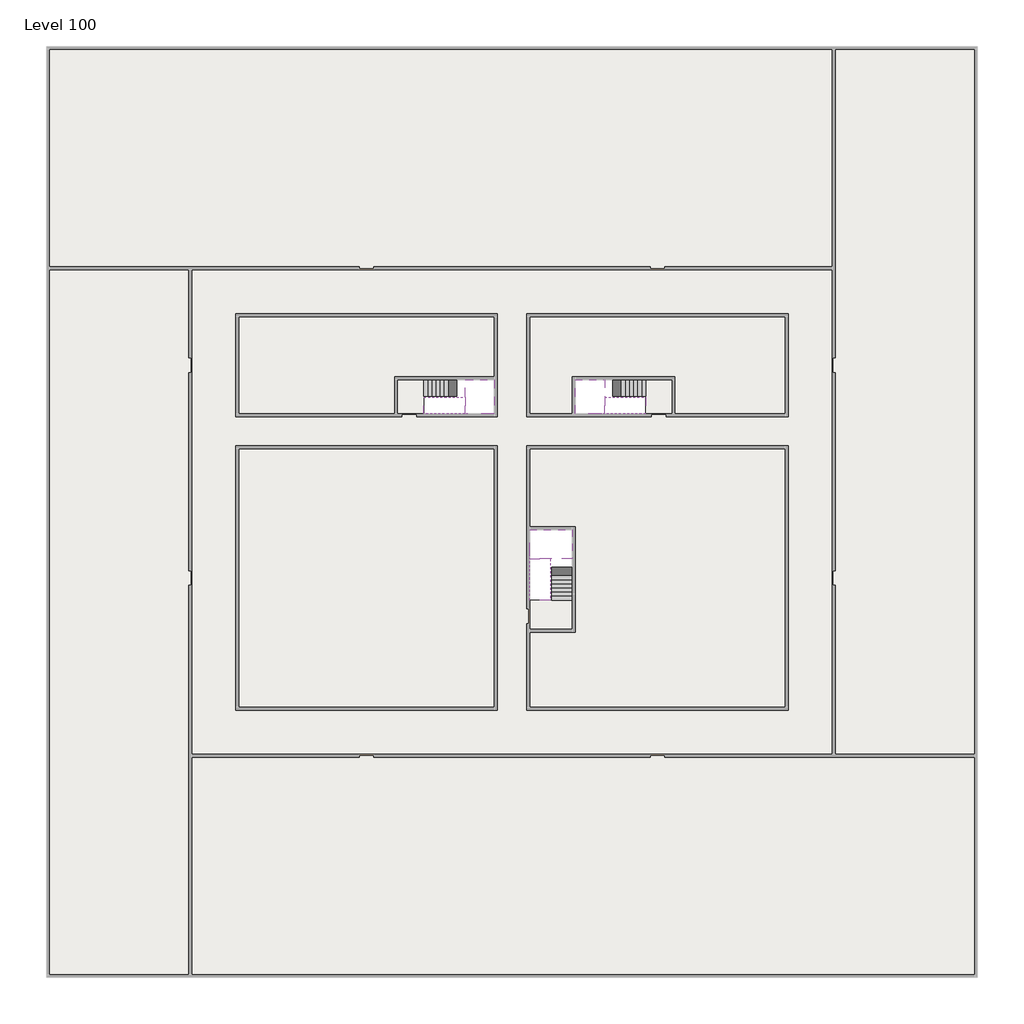
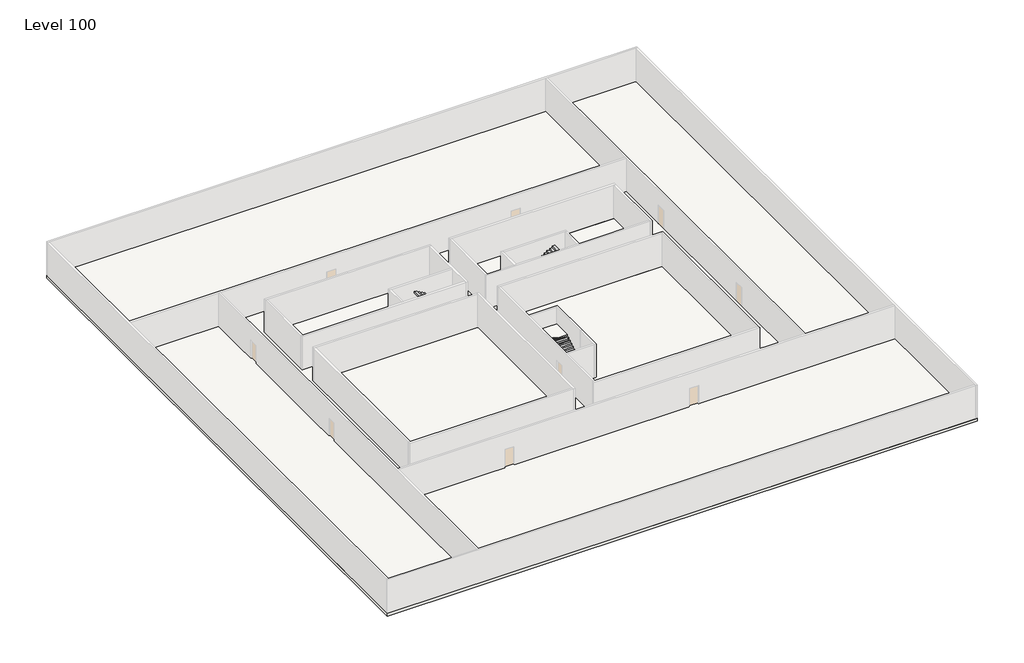
# One storey, part 2 of 2: 6 slabs, 6 stair flights.
"""IFC4 building model written with IfcOpenShell, lengths in millimetres."""

from ifc_helpers import new_model, si_unit, frame, origin, place, context, project, spatial, polyline, outline, extrude, faceted_brep, element, save

model = new_model("IFC4")

# Units and contexts
model_context = context("Model", 3, world=origin())
ifc_project = project(units=[si_unit("LENGTHUNIT", "METRE", prefix="MILLI")], contexts=[model_context])

# Site, building, storey
site = spatial("IfcSite", under=ifc_project)
building = spatial("IfcBuilding", under=site)
storey = spatial("IfcBuildingStorey", under=building, Name="Level 100", Elevation=376200.0)

# Slabs
placement = place(None, origin())
element("IfcSlab", 1, at=placement, inside=storey, context=model_context, shape_type="SweptSolid", body=[
    extrude(outline(polyline([(55890.1058784, -5518.09644), (55890.1058784, -68918.09644), (-7509.8941216, -68918.09644), (-7509.8941216, -5518.09644), (55890.1058784, -5518.09644)]), holes=[polyline([(22990.1058784, -23918.09644), (5590.1058784, -23918.09644), (5590.1058784, -30518.09644), (22990.1058784, -30518.09644), (22990.1058784, -23918.09644)]), polyline([(42990.1058784, -23918.09644), (25390.1058784, -23918.09644), (25390.1058784, -30518.09644), (42990.1058784, -30518.09644), (42990.1058784, -23918.09644)]), polyline([(25390.1058784, -50518.09644), (42790.1058784, -50518.09644), (42790.1058784, -32918.09644), (25390.1058784, -32918.09644), (25390.1058784, -50518.09644)]), polyline([(22990.1058784, -32918.09644), (5590.1058784, -32918.09644), (5590.1058784, -50518.09644), (22990.1058784, -50518.09644), (22990.1058784, -32918.09644)])]), frame((0.0, 0.0, 375900.0), z_axis=(0.0, 0.0, 1.0), x_axis=(1.0, 0.0, 0.0)), (0.0, 0.0, 1.0), 300.0),
])
element("IfcSlab", 2, at=placement, inside=storey, context=model_context, shape_type="SweptSolid", body=[
    extrude(outline(polyline([(22990.1058784, -23918.09644), (22990.1058784, -28018.09644), (16190.1058784, -28018.09644), (16190.1058784, -30518.09644), (5590.1058784, -30518.09644), (5590.1058784, -23918.09644), (22990.1058784, -23918.09644)])), frame((0.0, 0.0, 375900.0), z_axis=(0.0, 0.0, 1.0), x_axis=(1.0, 0.0, 0.0)), (0.0, 0.0, 1.0), 300.0),
    extrude(outline(polyline([(42790.1058784, -23918.09644), (42790.1058784, -30518.09644), (35290.1058784, -30518.09644), (35290.1058784, -28018.09644), (28490.1058784, -28018.09644), (28490.1058784, -30518.09644), (25390.1058784, -30518.09644), (25390.1058784, -23918.09644), (42790.1058784, -23918.09644)])), frame((0.0, 0.0, 375900.0), z_axis=(0.0, 0.0, 1.0), x_axis=(1.0, 0.0, 0.0)), (0.0, 0.0, 1.0), 300.0),
    extrude(outline(polyline([(22990.1058784, -32918.09644), (22990.1058784, -50518.09644), (5590.1058784, -50518.09644), (5590.1058784, -32918.09644), (22990.1058784, -32918.09644)])), frame((0.0, 0.0, 375900.0), z_axis=(0.0, 0.0, 1.0), x_axis=(1.0, 0.0, 0.0)), (0.0, 0.0, 1.0), 300.0),
    extrude(outline(polyline([(25390.1058784, -38218.09644), (25390.1058784, -32918.09644), (42790.1058784, -32918.09644), (42790.1058784, -50518.09644), (25390.1058784, -50518.09644), (25390.1058784, -45418.09644), (28490.1058784, -45418.09644), (28490.1058784, -38218.09644), (25390.1058784, -38218.09644)])), frame((0.0, 0.0, 375900.0), z_axis=(0.0, 0.0, 1.0), x_axis=(1.0, 0.0, 0.0)), (0.0, 0.0, 1.0), 300.0),
])
element("IfcSlab", 3, at=placement, inside=storey, context=model_context, shape_type="Brep", body=[
    faceted_brep([(26890.1058784, -40418.09644, 378100.0), (28290.1058784, -40418.09644, 378100.0), (28290.1058784, -40338.7100038, 378100.0), (28290.1058784, -38418.09644, 378100.0), (25390.1058784, -38418.09644, 378100.0), (25390.1058784, -40217.4828763, 378100.0), (25390.1058784, -40418.09644, 378100.0), (26790.1058784, -40418.09644, 378100.0), (26890.1058784, -40418.09644, 377800.0), (26890.1058784, -40418.09644, 377751.0278478), (28290.1058784, -40418.09644, 377751.0278478), (28290.1058784, -40418.09644, 377927.2727273), (28290.1058784, -40338.7100038, 377800.0), (28290.1058784, -38418.09644, 377800.0), (25390.1058784, -38418.09644, 377800.0), (25390.1058784, -40217.4828763, 377800.0), (25390.1058784, -40418.09644, 377923.7551205), (26790.1058784, -40418.09644, 377923.7551205), (26790.1058784, -40418.09644, 377800.0), (26790.1058784, -40217.4828763, 377800.0), (26890.1058784, -40338.7100038, 377800.0)], [[[0, 1, 2, 3, 4, 5, 6, 7]], [[1, 0, 8, 9, 10, 11]], [[1, 11, 10, 12, 13, 3, 2]], [[4, 3, 13, 14]], [[4, 14, 15, 16, 6, 5]], [[7, 6, 16, 17]], [[0, 7, 17, 18, 8]], [[18, 19, 15, 14, 13, 12, 20, 8]], [[19, 18, 17]], [[20, 12, 10, 9]], [[8, 20, 9]], [[15, 19, 17, 16]]]),
])
element("IfcSlab", 4, at=placement, inside=storey, context=model_context, shape_type="Brep", body=[
    faceted_brep([(20990.1058784, -28218.09644, 378100.0), (20990.1058784, -29318.09644, 378100.0), (20990.1058784, -29418.09644, 378100.0), (20990.1058784, -30518.09644, 378100.0), (21190.7194421, -30518.09644, 378100.0), (22990.1058784, -30518.09644, 378100.0), (22990.1058784, -28218.09644, 378100.0), (21069.4923146, -28218.09644, 378100.0), (20990.1058784, -28218.09644, 377927.2727273), (20990.1058784, -28218.09644, 377751.0278478), (20990.1058784, -29318.09644, 377751.0278478), (20990.1058784, -29318.09644, 377800.0), (20990.1058784, -29418.09644, 377800.0), (20990.1058784, -29418.09644, 377923.7551205), (20990.1058784, -30518.09644, 377923.7551205), (21190.7194421, -30518.09644, 377800.0), (22990.1058784, -30518.09644, 377800.0), (22990.1058784, -28218.09644, 377800.0), (21069.4923146, -28218.09644, 377800.0), (21190.7194421, -29418.09644, 377800.0), (21069.4923146, -29318.09644, 377800.0)], [[[0, 1, 2, 3, 4, 5, 6, 7]], [[1, 0, 8, 9, 10, 11]], [[2, 1, 11, 12, 13]], [[3, 2, 13, 14]], [[3, 14, 15, 16, 5, 4]], [[6, 5, 16, 17]], [[9, 8, 0, 7, 6, 17, 18]], [[19, 12, 11, 20, 18, 17, 16, 15]], [[12, 19, 13]], [[18, 20, 10, 9]], [[20, 11, 10]], [[19, 15, 14, 13]]]),
])
element("IfcSlab", 5, at=placement, inside=storey, context=model_context, shape_type="Brep", body=[
    faceted_brep([(30490.1058784, -29318.09644, 378100.0), (30490.1058784, -28218.09644, 378100.0), (30410.7194421, -28218.09644, 378100.0), (28490.1058784, -28218.09644, 378100.0), (28490.1058784, -30518.09644, 378100.0), (30289.4923146, -30518.09644, 378100.0), (30490.1058784, -30518.09644, 378100.0), (30490.1058784, -29418.09644, 378100.0), (30490.1058784, -29318.09644, 377800.0), (30490.1058784, -29318.09644, 377751.0278478), (30490.1058784, -28218.09644, 377751.0278478), (30490.1058784, -28218.09644, 377927.2727273), (30490.1058784, -29418.09644, 377923.7551205), (30490.1058784, -29418.09644, 377800.0), (30490.1058784, -30518.09644, 377923.7551205), (28490.1058784, -30518.09644, 377800.0), (30289.4923146, -30518.09644, 377800.0), (28490.1058784, -28218.09644, 377800.0), (30410.7194421, -28218.09644, 377800.0), (30289.4923146, -29418.09644, 377800.0), (30410.7194421, -29318.09644, 377800.0)], [[[0, 1, 2, 3, 4, 5, 6, 7]], [[1, 0, 8, 9, 10, 11]], [[0, 7, 12, 13, 8]], [[7, 6, 14, 12]], [[4, 15, 16, 14, 6, 5]], [[4, 3, 17, 15]], [[1, 11, 10, 18, 17, 3, 2]], [[13, 19, 16, 15, 17, 18, 20, 8]], [[20, 18, 10, 9]], [[8, 20, 9]], [[16, 19, 12, 14]], [[19, 13, 12]]]),
])
element("IfcSlab", 6, at=placement, inside=storey, context=model_context, shape_type="SweptSolid", body=[
    extrude(outline(polyline([(35090.1058784, -28218.09644), (35090.1058784, -30518.09644), (33290.1058784, -30518.09644), (33290.1058784, -28218.09644), (35090.1058784, -28218.09644)])), frame((0.0, 0.0, 375900.0), z_axis=(0.0, 0.0, 1.0), x_axis=(1.0, 0.0, 0.0)), (0.0, 0.0, 1.0), 300.0),
    extrude(outline(polyline([(18190.1058784, -28218.09644), (18190.1058784, -30518.09644), (16390.1058784, -30518.09644), (16390.1058784, -28218.09644), (18190.1058784, -28218.09644)])), frame((0.0, 0.0, 375900.0), z_axis=(0.0, 0.0, 1.0), x_axis=(1.0, 0.0, 0.0)), (0.0, 0.0, 1.0), 300.0),
    extrude(outline(polyline([(28290.1058784, -43218.09644), (28290.1058784, -45218.09644), (25390.1058784, -45218.09644), (25390.1058784, -43218.09644), (28290.1058784, -43218.09644)])), frame((0.0, 0.0, 375900.0), z_axis=(0.0, 0.0, 1.0), x_axis=(1.0, 0.0, 0.0)), (0.0, 0.0, 1.0), 300.0),
])

# Stair flights
element("IfcStairFlight", 7, at=placement, inside=storey, context=model_context, shape_type="Brep", body=[
    faceted_brep([(26890.1058784, -42938.09644, 376372.7272727), (26890.1058784, -43218.09644, 376372.7272727), (28290.1058784, -43218.09644, 376372.7272727), (28290.1058784, -42938.09644, 376372.7272727), (26890.1058784, -42938.09644, 376200.0), (26890.1058784, -43218.09644, 376200.0), (28290.1058784, -43218.09644, 376200.0), (28290.1058784, -42938.09644, 376200.0), (26890.1058784, -42658.09644, 376545.4545455), (26890.1058784, -42938.09644, 376545.4545455), (28290.1058784, -42938.09644, 376545.4545455), (28290.1058784, -42658.09644, 376545.4545455), (26890.1058784, -42658.09644, 376369.209666), (26890.1058784, -42932.3942143, 376200.0), (28290.1058784, -42932.3942143, 376200.0), (28290.1058784, -42658.09644, 376369.209666), (26890.1058784, -42378.09644, 376718.1818182), (26890.1058784, -42658.09644, 376718.1818182), (28290.1058784, -42658.09644, 376718.1818182), (28290.1058784, -42378.09644, 376718.1818182), (26890.1058784, -42378.09644, 376541.9369387), (28290.1058784, -42378.09644, 376541.9369387), (26890.1058784, -42098.09644, 376890.9090909), (26890.1058784, -42378.09644, 376890.9090909), (28290.1058784, -42378.09644, 376890.9090909), (28290.1058784, -42098.09644, 376890.9090909), (26890.1058784, -42098.09644, 376714.6642114), (28290.1058784, -42098.09644, 376714.6642114), (26890.1058784, -41818.09644, 377063.6363636), (26890.1058784, -42098.09644, 377063.6363636), (28290.1058784, -42098.09644, 377063.6363636), (28290.1058784, -41818.09644, 377063.6363636), (26890.1058784, -41818.09644, 376887.3914841), (28290.1058784, -41818.09644, 376887.3914841), (26890.1058784, -41538.09644, 377236.3636364), (26890.1058784, -41818.09644, 377236.3636364), (28290.1058784, -41818.09644, 377236.3636364), (28290.1058784, -41538.09644, 377236.3636364), (26890.1058784, -41538.09644, 377060.1187569), (28290.1058784, -41538.09644, 377060.1187569), (26890.1058784, -41258.09644, 377409.0909091), (26890.1058784, -41538.09644, 377409.0909091), (28290.1058784, -41538.09644, 377409.0909091), (28290.1058784, -41258.09644, 377409.0909091), (26890.1058784, -41258.09644, 377232.8460296), (28290.1058784, -41258.09644, 377232.8460296), (26890.1058784, -40978.09644, 377581.8181818), (26890.1058784, -41258.09644, 377581.8181818), (28290.1058784, -41258.09644, 377581.8181818), (28290.1058784, -40978.09644, 377581.8181818), (26890.1058784, -40978.09644, 377405.5733023), (28290.1058784, -40978.09644, 377405.5733023), (26890.1058784, -40698.09644, 377754.5454545), (26890.1058784, -40978.09644, 377754.5454545), (28290.1058784, -40978.09644, 377754.5454545), (28290.1058784, -40698.09644, 377754.5454545), (26890.1058784, -40698.09644, 377578.3005751), (28290.1058784, -40698.09644, 377578.3005751), (26890.1058784, -40418.09644, 377927.2727273), (26890.1058784, -40698.09644, 377927.2727273), (28290.1058784, -40698.09644, 377927.2727273), (28290.1058784, -40418.09644, 377927.2727273), (26890.1058784, -40418.09644, 377800.0), (26890.1058784, -40418.09644, 377751.0278478), (28290.1058784, -40418.09644, 377751.0278478)], [[[0, 1, 2, 3]], [[1, 0, 4, 5]], [[2, 1, 5, 6]], [[3, 2, 6, 7]], [[8, 9, 10, 11]], [[4, 0, 9, 8, 12, 13]], [[0, 3, 10, 9]], [[3, 7, 14, 15, 11, 10]], [[16, 17, 18, 19]], [[17, 16, 20, 12, 8]], [[8, 11, 18, 17]], [[19, 18, 11, 15, 21]], [[22, 23, 24, 25]], [[23, 22, 26, 20, 16]], [[16, 19, 24, 23]], [[25, 24, 19, 21, 27]], [[28, 29, 30, 31]], [[29, 28, 32, 26, 22]], [[22, 25, 30, 29]], [[31, 30, 25, 27, 33]], [[34, 35, 36, 37]], [[35, 34, 38, 32, 28]], [[28, 31, 36, 35]], [[37, 36, 31, 33, 39]], [[40, 41, 42, 43]], [[41, 40, 44, 38, 34]], [[34, 37, 42, 41]], [[43, 42, 37, 39, 45]], [[46, 47, 48, 49]], [[47, 46, 50, 44, 40]], [[40, 43, 48, 47]], [[49, 48, 43, 45, 51]], [[52, 53, 54, 55]], [[53, 52, 56, 50, 46]], [[46, 49, 54, 53]], [[55, 54, 49, 51, 57]], [[58, 59, 60, 61]], [[59, 58, 62, 63, 56, 52]], [[52, 55, 60, 59]], [[61, 60, 55, 57, 64]], [[58, 61, 64, 63, 62]], [[5, 4, 13, 14, 7, 6]], [[14, 13, 12, 20, 26, 32, 38, 44, 50, 56, 63, 64, 57, 51, 45, 39, 33, 27, 21, 15]]]),
])
element("IfcStairFlight", 8, at=placement, inside=storey, context=model_context, shape_type="Brep", body=[
    faceted_brep([(26790.1058784, -40698.09644, 378272.7272727), (26790.1058784, -40418.09644, 378272.7272727), (25390.1058784, -40418.09644, 378272.7272727), (25390.1058784, -40698.09644, 378272.7272727), (26790.1058784, -40698.09644, 378096.4823932), (26790.1058784, -40418.09644, 377923.7551205), (25390.1058784, -40418.09644, 377923.7551205), (25390.1058784, -40418.09644, 378100.0), (25390.1058784, -40698.09644, 378096.4823932), (26790.1058784, -40978.09644, 378445.4545455), (26790.1058784, -40698.09644, 378445.4545455), (25390.1058784, -40698.09644, 378445.4545455), (25390.1058784, -40978.09644, 378445.4545455), (26790.1058784, -40978.09644, 378269.209666), (25390.1058784, -40978.09644, 378269.209666), (26790.1058784, -41258.09644, 378618.1818182), (26790.1058784, -40978.09644, 378618.1818182), (25390.1058784, -40978.09644, 378618.1818182), (25390.1058784, -41258.09644, 378618.1818182), (26790.1058784, -41258.09644, 378441.9369387), (25390.1058784, -41258.09644, 378441.9369387), (26790.1058784, -41538.09644, 378790.9090909), (26790.1058784, -41258.09644, 378790.9090909), (25390.1058784, -41258.09644, 378790.9090909), (25390.1058784, -41538.09644, 378790.9090909), (26790.1058784, -41538.09644, 378614.6642114), (25390.1058784, -41538.09644, 378614.6642114), (26790.1058784, -41818.09644, 378963.6363636), (26790.1058784, -41538.09644, 378963.6363636), (25390.1058784, -41538.09644, 378963.6363636), (25390.1058784, -41818.09644, 378963.6363636), (26790.1058784, -41818.09644, 378787.3914841), (25390.1058784, -41818.09644, 378787.3914841), (26790.1058784, -42098.09644, 379136.3636364), (26790.1058784, -41818.09644, 379136.3636364), (25390.1058784, -41818.09644, 379136.3636364), (25390.1058784, -42098.09644, 379136.3636364), (26790.1058784, -42098.09644, 378960.1187569), (25390.1058784, -42098.09644, 378960.1187569), (26790.1058784, -42378.09644, 379309.0909091), (26790.1058784, -42098.09644, 379309.0909091), (25390.1058784, -42098.09644, 379309.0909091), (25390.1058784, -42378.09644, 379309.0909091), (26790.1058784, -42378.09644, 379132.8460296), (25390.1058784, -42378.09644, 379132.8460296), (26790.1058784, -42658.09644, 379481.8181818), (26790.1058784, -42378.09644, 379481.8181818), (25390.1058784, -42378.09644, 379481.8181818), (25390.1058784, -42658.09644, 379481.8181818), (26790.1058784, -42658.09644, 379305.5733023), (25390.1058784, -42658.09644, 379305.5733023), (26790.1058784, -42938.09644, 379654.5454545), (26790.1058784, -42658.09644, 379654.5454545), (25390.1058784, -42658.09644, 379654.5454545), (25390.1058784, -42938.09644, 379654.5454545), (26790.1058784, -42938.09644, 379478.3005751), (25390.1058784, -42938.09644, 379478.3005751), (26790.1058784, -43218.09644, 379827.2727273), (26790.1058784, -42938.09644, 379827.2727273), (25390.1058784, -42938.09644, 379827.2727273), (25390.1058784, -43218.09644, 379827.2727273), (26790.1058784, -43218.09644, 379651.0278478), (25390.1058784, -43218.09644, 379651.0278478)], [[[0, 1, 2, 3]], [[1, 0, 4, 5]], [[2, 1, 5, 6, 7]], [[3, 2, 7, 6, 8]], [[9, 10, 11, 12]], [[10, 9, 13, 4, 0]], [[11, 10, 0, 3]], [[12, 11, 3, 8, 14]], [[15, 16, 17, 18]], [[16, 15, 19, 13, 9]], [[17, 16, 9, 12]], [[18, 17, 12, 14, 20]], [[21, 22, 23, 24]], [[22, 21, 25, 19, 15]], [[23, 22, 15, 18]], [[24, 23, 18, 20, 26]], [[27, 28, 29, 30]], [[28, 27, 31, 25, 21]], [[29, 28, 21, 24]], [[30, 29, 24, 26, 32]], [[33, 34, 35, 36]], [[34, 33, 37, 31, 27]], [[35, 34, 27, 30]], [[36, 35, 30, 32, 38]], [[39, 40, 41, 42]], [[40, 39, 43, 37, 33]], [[41, 40, 33, 36]], [[42, 41, 36, 38, 44]], [[45, 46, 47, 48]], [[46, 45, 49, 43, 39]], [[47, 46, 39, 42]], [[48, 47, 42, 44, 50]], [[51, 52, 53, 54]], [[52, 51, 55, 49, 45]], [[53, 52, 45, 48]], [[54, 53, 48, 50, 56]], [[57, 58, 59, 60]], [[58, 57, 61, 55, 51]], [[59, 58, 51, 54]], [[60, 59, 54, 56, 62]], [[57, 60, 62, 61]], [[5, 4, 13, 19, 25, 31, 37, 43, 49, 55, 61, 62, 56, 50, 44, 38, 32, 26, 20, 14, 8, 6]]]),
])
element("IfcStairFlight", 9, at=placement, inside=storey, context=model_context, shape_type="Brep", body=[
    faceted_brep([(18470.1058784, -28218.09644, 376372.7272727), (18190.1058784, -28218.09644, 376372.7272727), (18190.1058784, -29318.09644, 376372.7272727), (18470.1058784, -29318.09644, 376372.7272727), (18470.1058784, -28218.09644, 376200.0), (18190.1058784, -28218.09644, 376200.0), (18190.1058784, -29318.09644, 376200.0), (18470.1058784, -29318.09644, 376200.0), (18750.1058784, -28218.09644, 376545.4545455), (18470.1058784, -28218.09644, 376545.4545455), (18470.1058784, -29318.09644, 376545.4545455), (18750.1058784, -29318.09644, 376545.4545455), (18750.1058784, -28218.09644, 376369.209666), (18475.8081041, -28218.09644, 376200.0), (18475.8081041, -29318.09644, 376200.0), (18750.1058784, -29318.09644, 376369.209666), (19030.1058784, -28218.09644, 376718.1818182), (18750.1058784, -28218.09644, 376718.1818182), (18750.1058784, -29318.09644, 376718.1818182), (19030.1058784, -29318.09644, 376718.1818182), (19030.1058784, -28218.09644, 376541.9369387), (19030.1058784, -29318.09644, 376541.9369387), (19310.1058784, -28218.09644, 376890.9090909), (19030.1058784, -28218.09644, 376890.9090909), (19030.1058784, -29318.09644, 376890.9090909), (19310.1058784, -29318.09644, 376890.9090909), (19310.1058784, -28218.09644, 376714.6642114), (19310.1058784, -29318.09644, 376714.6642114), (19590.1058784, -28218.09644, 377063.6363636), (19310.1058784, -28218.09644, 377063.6363636), (19310.1058784, -29318.09644, 377063.6363636), (19590.1058784, -29318.09644, 377063.6363636), (19590.1058784, -28218.09644, 376887.3914841), (19590.1058784, -29318.09644, 376887.3914841), (19870.1058784, -28218.09644, 377236.3636364), (19590.1058784, -28218.09644, 377236.3636364), (19590.1058784, -29318.09644, 377236.3636364), (19870.1058784, -29318.09644, 377236.3636364), (19870.1058784, -28218.09644, 377060.1187569), (19870.1058784, -29318.09644, 377060.1187569), (20150.1058784, -28218.09644, 377409.0909091), (19870.1058784, -28218.09644, 377409.0909091), (19870.1058784, -29318.09644, 377409.0909091), (20150.1058784, -29318.09644, 377409.0909091), (20150.1058784, -28218.09644, 377232.8460296), (20150.1058784, -29318.09644, 377232.8460296), (20430.1058784, -28218.09644, 377581.8181818), (20150.1058784, -28218.09644, 377581.8181818), (20150.1058784, -29318.09644, 377581.8181818), (20430.1058784, -29318.09644, 377581.8181818), (20430.1058784, -28218.09644, 377405.5733023), (20430.1058784, -29318.09644, 377405.5733023), (20710.1058784, -28218.09644, 377754.5454545), (20430.1058784, -28218.09644, 377754.5454545), (20430.1058784, -29318.09644, 377754.5454545), (20710.1058784, -29318.09644, 377754.5454545), (20710.1058784, -28218.09644, 377578.3005751), (20710.1058784, -29318.09644, 377578.3005751), (20990.1058784, -28218.09644, 377927.2727273), (20710.1058784, -28218.09644, 377927.2727273), (20710.1058784, -29318.09644, 377927.2727273), (20990.1058784, -29318.09644, 377927.2727273), (20990.1058784, -28218.09644, 377751.0278478), (20990.1058784, -29318.09644, 377751.0278478), (20990.1058784, -29318.09644, 377800.0)], [[[0, 1, 2, 3]], [[1, 0, 4, 5]], [[2, 1, 5, 6]], [[3, 2, 6, 7]], [[8, 9, 10, 11]], [[4, 0, 9, 8, 12, 13]], [[0, 3, 10, 9]], [[3, 7, 14, 15, 11, 10]], [[16, 17, 18, 19]], [[17, 16, 20, 12, 8]], [[8, 11, 18, 17]], [[19, 18, 11, 15, 21]], [[22, 23, 24, 25]], [[23, 22, 26, 20, 16]], [[16, 19, 24, 23]], [[25, 24, 19, 21, 27]], [[28, 29, 30, 31]], [[29, 28, 32, 26, 22]], [[22, 25, 30, 29]], [[31, 30, 25, 27, 33]], [[34, 35, 36, 37]], [[35, 34, 38, 32, 28]], [[28, 31, 36, 35]], [[37, 36, 31, 33, 39]], [[40, 41, 42, 43]], [[41, 40, 44, 38, 34]], [[34, 37, 42, 41]], [[43, 42, 37, 39, 45]], [[46, 47, 48, 49]], [[47, 46, 50, 44, 40]], [[40, 43, 48, 47]], [[49, 48, 43, 45, 51]], [[52, 53, 54, 55]], [[53, 52, 56, 50, 46]], [[46, 49, 54, 53]], [[55, 54, 49, 51, 57]], [[58, 59, 60, 61]], [[59, 58, 62, 56, 52]], [[52, 55, 60, 59]], [[61, 60, 55, 57, 63, 64]], [[58, 61, 64, 63, 62]], [[5, 4, 13, 14, 7, 6]], [[14, 13, 12, 20, 26, 32, 38, 44, 50, 56, 62, 63, 57, 51, 45, 39, 33, 27, 21, 15]]]),
])
element("IfcStairFlight", 10, at=placement, inside=storey, context=model_context, shape_type="Brep", body=[
    faceted_brep([(20710.1058784, -30518.09644, 378272.7272727), (20990.1058784, -30518.09644, 378272.7272727), (20990.1058784, -29418.09644, 378272.7272727), (20710.1058784, -29418.09644, 378272.7272727), (20710.1058784, -30518.09644, 378096.4823932), (20990.1058784, -30518.09644, 377923.7551205), (20990.1058784, -30518.09644, 378100.0), (20990.1058784, -29418.09644, 377923.7551205), (20710.1058784, -29418.09644, 378096.4823932), (20430.1058784, -30518.09644, 378445.4545455), (20710.1058784, -30518.09644, 378445.4545455), (20710.1058784, -29418.09644, 378445.4545455), (20430.1058784, -29418.09644, 378445.4545455), (20430.1058784, -30518.09644, 378269.209666), (20430.1058784, -29418.09644, 378269.209666), (20150.1058784, -30518.09644, 378618.1818182), (20430.1058784, -30518.09644, 378618.1818182), (20430.1058784, -29418.09644, 378618.1818182), (20150.1058784, -29418.09644, 378618.1818182), (20150.1058784, -30518.09644, 378441.9369387), (20150.1058784, -29418.09644, 378441.9369387), (19870.1058784, -30518.09644, 378790.9090909), (20150.1058784, -30518.09644, 378790.9090909), (20150.1058784, -29418.09644, 378790.9090909), (19870.1058784, -29418.09644, 378790.9090909), (19870.1058784, -30518.09644, 378614.6642114), (19870.1058784, -29418.09644, 378614.6642114), (19590.1058784, -30518.09644, 378963.6363636), (19870.1058784, -30518.09644, 378963.6363636), (19870.1058784, -29418.09644, 378963.6363636), (19590.1058784, -29418.09644, 378963.6363636), (19590.1058784, -30518.09644, 378787.3914841), (19590.1058784, -29418.09644, 378787.3914841), (19310.1058784, -30518.09644, 379136.3636364), (19590.1058784, -30518.09644, 379136.3636364), (19590.1058784, -29418.09644, 379136.3636364), (19310.1058784, -29418.09644, 379136.3636364), (19310.1058784, -30518.09644, 378960.1187569), (19310.1058784, -29418.09644, 378960.1187569), (19030.1058784, -30518.09644, 379309.0909091), (19310.1058784, -30518.09644, 379309.0909091), (19310.1058784, -29418.09644, 379309.0909091), (19030.1058784, -29418.09644, 379309.0909091), (19030.1058784, -30518.09644, 379132.8460296), (19030.1058784, -29418.09644, 379132.8460296), (18750.1058784, -30518.09644, 379481.8181818), (19030.1058784, -30518.09644, 379481.8181818), (19030.1058784, -29418.09644, 379481.8181818), (18750.1058784, -29418.09644, 379481.8181818), (18750.1058784, -30518.09644, 379305.5733023), (18750.1058784, -29418.09644, 379305.5733023), (18470.1058784, -30518.09644, 379654.5454545), (18750.1058784, -30518.09644, 379654.5454545), (18750.1058784, -29418.09644, 379654.5454545), (18470.1058784, -29418.09644, 379654.5454545), (18470.1058784, -30518.09644, 379478.3005751), (18470.1058784, -29418.09644, 379478.3005751), (18190.1058784, -30518.09644, 379827.2727273), (18470.1058784, -30518.09644, 379827.2727273), (18470.1058784, -29418.09644, 379827.2727273), (18190.1058784, -29418.09644, 379827.2727273), (18190.1058784, -30518.09644, 379651.0278478), (18190.1058784, -29418.09644, 379651.0278478)], [[[0, 1, 2, 3]], [[1, 0, 4, 5, 6]], [[2, 1, 6, 5, 7]], [[3, 2, 7, 8]], [[9, 10, 11, 12]], [[10, 9, 13, 4, 0]], [[11, 10, 0, 3]], [[12, 11, 3, 8, 14]], [[15, 16, 17, 18]], [[16, 15, 19, 13, 9]], [[17, 16, 9, 12]], [[18, 17, 12, 14, 20]], [[21, 22, 23, 24]], [[22, 21, 25, 19, 15]], [[23, 22, 15, 18]], [[24, 23, 18, 20, 26]], [[27, 28, 29, 30]], [[28, 27, 31, 25, 21]], [[29, 28, 21, 24]], [[30, 29, 24, 26, 32]], [[33, 34, 35, 36]], [[34, 33, 37, 31, 27]], [[35, 34, 27, 30]], [[36, 35, 30, 32, 38]], [[39, 40, 41, 42]], [[40, 39, 43, 37, 33]], [[41, 40, 33, 36]], [[42, 41, 36, 38, 44]], [[45, 46, 47, 48]], [[46, 45, 49, 43, 39]], [[47, 46, 39, 42]], [[48, 47, 42, 44, 50]], [[51, 52, 53, 54]], [[52, 51, 55, 49, 45]], [[53, 52, 45, 48]], [[54, 53, 48, 50, 56]], [[57, 58, 59, 60]], [[58, 57, 61, 55, 51]], [[59, 58, 51, 54]], [[60, 59, 54, 56, 62]], [[57, 60, 62, 61]], [[5, 4, 13, 19, 25, 31, 37, 43, 49, 55, 61, 62, 56, 50, 44, 38, 32, 26, 20, 14, 8, 7]]]),
])
element("IfcStairFlight", 11, at=placement, inside=storey, context=model_context, shape_type="Brep", body=[
    faceted_brep([(33010.1058784, -29318.09644, 376372.7272727), (33290.1058784, -29318.09644, 376372.7272727), (33290.1058784, -28218.09644, 376372.7272727), (33010.1058784, -28218.09644, 376372.7272727), (33290.1058784, -28218.09644, 376200.0), (33010.1058784, -28218.09644, 376200.0), (33290.1058784, -29318.09644, 376200.0), (33010.1058784, -29318.09644, 376200.0), (32730.1058784, -29318.09644, 376545.4545455), (33010.1058784, -29318.09644, 376545.4545455), (33010.1058784, -28218.09644, 376545.4545455), (32730.1058784, -28218.09644, 376545.4545455), (33004.4036527, -28218.09644, 376200.0), (32730.1058784, -28218.09644, 376369.209666), (32730.1058784, -29318.09644, 376369.209666), (33004.4036527, -29318.09644, 376200.0), (32450.1058784, -29318.09644, 376718.1818182), (32730.1058784, -29318.09644, 376718.1818182), (32730.1058784, -28218.09644, 376718.1818182), (32450.1058784, -28218.09644, 376718.1818182), (32450.1058784, -28218.09644, 376541.9369387), (32450.1058784, -29318.09644, 376541.9369387), (32170.1058784, -29318.09644, 376890.9090909), (32450.1058784, -29318.09644, 376890.9090909), (32450.1058784, -28218.09644, 376890.9090909), (32170.1058784, -28218.09644, 376890.9090909), (32170.1058784, -28218.09644, 376714.6642114), (32170.1058784, -29318.09644, 376714.6642114), (31890.1058784, -29318.09644, 377063.6363636), (32170.1058784, -29318.09644, 377063.6363636), (32170.1058784, -28218.09644, 377063.6363636), (31890.1058784, -28218.09644, 377063.6363636), (31890.1058784, -28218.09644, 376887.3914841), (31890.1058784, -29318.09644, 376887.3914841), (31610.1058784, -29318.09644, 377236.3636364), (31890.1058784, -29318.09644, 377236.3636364), (31890.1058784, -28218.09644, 377236.3636364), (31610.1058784, -28218.09644, 377236.3636364), (31610.1058784, -28218.09644, 377060.1187569), (31610.1058784, -29318.09644, 377060.1187569), (31330.1058784, -29318.09644, 377409.0909091), (31610.1058784, -29318.09644, 377409.0909091), (31610.1058784, -28218.09644, 377409.0909091), (31330.1058784, -28218.09644, 377409.0909091), (31330.1058784, -28218.09644, 377232.8460296), (31330.1058784, -29318.09644, 377232.8460296), (31050.1058784, -29318.09644, 377581.8181818), (31330.1058784, -29318.09644, 377581.8181818), (31330.1058784, -28218.09644, 377581.8181818), (31050.1058784, -28218.09644, 377581.8181818), (31050.1058784, -28218.09644, 377405.5733023), (31050.1058784, -29318.09644, 377405.5733023), (30770.1058784, -29318.09644, 377754.5454545), (31050.1058784, -29318.09644, 377754.5454545), (31050.1058784, -28218.09644, 377754.5454545), (30770.1058784, -28218.09644, 377754.5454545), (30770.1058784, -28218.09644, 377578.3005751), (30770.1058784, -29318.09644, 377578.3005751), (30490.1058784, -29318.09644, 377927.2727273), (30770.1058784, -29318.09644, 377927.2727273), (30770.1058784, -28218.09644, 377927.2727273), (30490.1058784, -28218.09644, 377927.2727273), (30490.1058784, -28218.09644, 377751.0278478), (30490.1058784, -29318.09644, 377800.0), (30490.1058784, -29318.09644, 377751.0278478)], [[[0, 1, 2, 3]], [[3, 2, 4, 5]], [[2, 1, 6, 4]], [[1, 0, 7, 6]], [[8, 9, 10, 11]], [[3, 5, 12, 13, 11, 10]], [[0, 3, 10, 9]], [[7, 0, 9, 8, 14, 15]], [[16, 17, 18, 19]], [[19, 18, 11, 13, 20]], [[8, 11, 18, 17]], [[17, 16, 21, 14, 8]], [[22, 23, 24, 25]], [[25, 24, 19, 20, 26]], [[16, 19, 24, 23]], [[23, 22, 27, 21, 16]], [[28, 29, 30, 31]], [[31, 30, 25, 26, 32]], [[22, 25, 30, 29]], [[29, 28, 33, 27, 22]], [[34, 35, 36, 37]], [[37, 36, 31, 32, 38]], [[28, 31, 36, 35]], [[35, 34, 39, 33, 28]], [[40, 41, 42, 43]], [[43, 42, 37, 38, 44]], [[34, 37, 42, 41]], [[41, 40, 45, 39, 34]], [[46, 47, 48, 49]], [[49, 48, 43, 44, 50]], [[40, 43, 48, 47]], [[47, 46, 51, 45, 40]], [[52, 53, 54, 55]], [[55, 54, 49, 50, 56]], [[46, 49, 54, 53]], [[53, 52, 57, 51, 46]], [[58, 59, 60, 61]], [[61, 60, 55, 56, 62]], [[52, 55, 60, 59]], [[59, 58, 63, 64, 57, 52]], [[58, 61, 62, 64, 63]], [[6, 7, 15, 12, 5, 4]], [[12, 15, 14, 21, 27, 33, 39, 45, 51, 57, 64, 62, 56, 50, 44, 38, 32, 26, 20, 13]]]),
])
element("IfcStairFlight", 12, at=placement, inside=storey, context=model_context, shape_type="Brep", body=[
    faceted_brep([(30770.1058784, -29418.09644, 378272.7272727), (30490.1058784, -29418.09644, 378272.7272727), (30490.1058784, -30518.09644, 378272.7272727), (30770.1058784, -30518.09644, 378272.7272727), (30490.1058784, -30518.09644, 378100.0), (30490.1058784, -30518.09644, 377923.7551205), (30770.1058784, -30518.09644, 378096.4823932), (30490.1058784, -29418.09644, 377923.7551205), (30770.1058784, -29418.09644, 378096.4823932), (31050.1058784, -29418.09644, 378445.4545455), (30770.1058784, -29418.09644, 378445.4545455), (30770.1058784, -30518.09644, 378445.4545455), (31050.1058784, -30518.09644, 378445.4545455), (31050.1058784, -30518.09644, 378269.209666), (31050.1058784, -29418.09644, 378269.209666), (31330.1058784, -29418.09644, 378618.1818182), (31050.1058784, -29418.09644, 378618.1818182), (31050.1058784, -30518.09644, 378618.1818182), (31330.1058784, -30518.09644, 378618.1818182), (31330.1058784, -30518.09644, 378441.9369387), (31330.1058784, -29418.09644, 378441.9369387), (31610.1058784, -29418.09644, 378790.9090909), (31330.1058784, -29418.09644, 378790.9090909), (31330.1058784, -30518.09644, 378790.9090909), (31610.1058784, -30518.09644, 378790.9090909), (31610.1058784, -30518.09644, 378614.6642114), (31610.1058784, -29418.09644, 378614.6642114), (31890.1058784, -29418.09644, 378963.6363636), (31610.1058784, -29418.09644, 378963.6363636), (31610.1058784, -30518.09644, 378963.6363636), (31890.1058784, -30518.09644, 378963.6363636), (31890.1058784, -30518.09644, 378787.3914841), (31890.1058784, -29418.09644, 378787.3914841), (32170.1058784, -29418.09644, 379136.3636364), (31890.1058784, -29418.09644, 379136.3636364), (31890.1058784, -30518.09644, 379136.3636364), (32170.1058784, -30518.09644, 379136.3636364), (32170.1058784, -30518.09644, 378960.1187569), (32170.1058784, -29418.09644, 378960.1187569), (32450.1058784, -29418.09644, 379309.0909091), (32170.1058784, -29418.09644, 379309.0909091), (32170.1058784, -30518.09644, 379309.0909091), (32450.1058784, -30518.09644, 379309.0909091), (32450.1058784, -30518.09644, 379132.8460296), (32450.1058784, -29418.09644, 379132.8460296), (32730.1058784, -29418.09644, 379481.8181818), (32450.1058784, -29418.09644, 379481.8181818), (32450.1058784, -30518.09644, 379481.8181818), (32730.1058784, -30518.09644, 379481.8181818), (32730.1058784, -30518.09644, 379305.5733023), (32730.1058784, -29418.09644, 379305.5733023), (33010.1058784, -29418.09644, 379654.5454545), (32730.1058784, -29418.09644, 379654.5454545), (32730.1058784, -30518.09644, 379654.5454545), (33010.1058784, -30518.09644, 379654.5454545), (33010.1058784, -30518.09644, 379478.3005751), (33010.1058784, -29418.09644, 379478.3005751), (33290.1058784, -29418.09644, 379827.2727273), (33010.1058784, -29418.09644, 379827.2727273), (33010.1058784, -30518.09644, 379827.2727273), (33290.1058784, -30518.09644, 379827.2727273), (33290.1058784, -30518.09644, 379651.0278478), (33290.1058784, -29418.09644, 379651.0278478)], [[[0, 1, 2, 3]], [[3, 2, 4, 5, 6]], [[2, 1, 7, 5, 4]], [[1, 0, 8, 7]], [[9, 10, 11, 12]], [[12, 11, 3, 6, 13]], [[11, 10, 0, 3]], [[10, 9, 14, 8, 0]], [[15, 16, 17, 18]], [[18, 17, 12, 13, 19]], [[17, 16, 9, 12]], [[16, 15, 20, 14, 9]], [[21, 22, 23, 24]], [[24, 23, 18, 19, 25]], [[23, 22, 15, 18]], [[22, 21, 26, 20, 15]], [[27, 28, 29, 30]], [[30, 29, 24, 25, 31]], [[29, 28, 21, 24]], [[28, 27, 32, 26, 21]], [[33, 34, 35, 36]], [[36, 35, 30, 31, 37]], [[35, 34, 27, 30]], [[34, 33, 38, 32, 27]], [[39, 40, 41, 42]], [[42, 41, 36, 37, 43]], [[41, 40, 33, 36]], [[40, 39, 44, 38, 33]], [[45, 46, 47, 48]], [[48, 47, 42, 43, 49]], [[47, 46, 39, 42]], [[46, 45, 50, 44, 39]], [[51, 52, 53, 54]], [[54, 53, 48, 49, 55]], [[53, 52, 45, 48]], [[52, 51, 56, 50, 45]], [[57, 58, 59, 60]], [[60, 59, 54, 55, 61]], [[59, 58, 51, 54]], [[58, 57, 62, 56, 51]], [[57, 60, 61, 62]], [[7, 8, 14, 20, 26, 32, 38, 44, 50, 56, 62, 61, 55, 49, 43, 37, 31, 25, 19, 13, 6, 5]]]),
])

save(model, "model.ifc")
